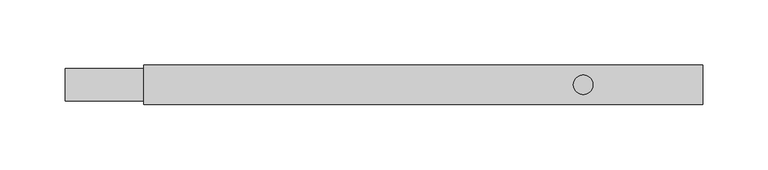
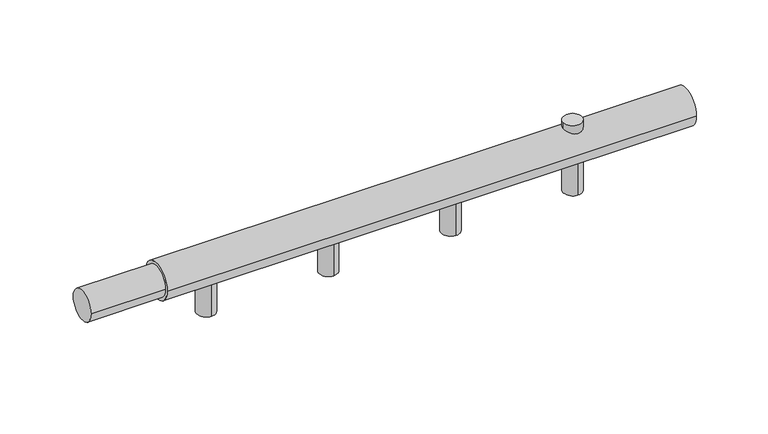
"""IFC4 building model written with IfcOpenShell, lengths in millimetres: proxy geometry."""

from ifc_helpers import new_model, si_unit, point, frame, frame_2d, origin, origin_with_axes, origin_2d, place, context, project, spatial, circle_curve, trimmed, segment, composite_curve, outline, extrude, source, transform, mapped, element, save


def mechanical_equipment_6b834cfa(model_context):
    return source(origin(), model_context, "Body", "SweptSolid", [
        extrude(outline(composite_curve([segment(trimmed(circle_curve(frame_2d((395.9090909, 0.0)), 7.5), [point((388.4090909, 0.0))], [point((403.4090909, 0.0))], False, "CARTESIAN"), True, "CONTINUOUS"), segment(trimmed(circle_curve(frame_2d((395.9090909, 0.0)), 7.5), [point((403.4090909, 0.0))], [point((388.4090909, 0.0))], False, "CARTESIAN"), True, "CONTINUOUS")], self_intersect=False)), origin_with_axes(), (0.0, 0.0, 1.0), 20.0),
        extrude(outline(composite_curve([segment(trimmed(circle_curve(origin_2d(), 12.5), [point((-12.5, 0.0))], [point((12.5, 0.0))], False, "CARTESIAN"), True, "CONTINUOUS"), segment(trimmed(circle_curve(origin_2d(), 12.5), [point((12.5, 0.0))], [point((-12.5, 0.0))], False, "CARTESIAN"), True, "CONTINUOUS")], self_intersect=False)), frame((0.0, 0.0, 0.0), z_axis=(1.0, 0.0, 0.0), x_axis=(0.0, 1.0, 0.0)), (0.0, 0.0, 1.0), 60.0),
        extrude(outline(composite_curve([segment(trimmed(circle_curve(origin_2d(), 15.0), [point((-15.0, 0.0))], [point((15.0, 0.0))], False, "CARTESIAN"), True, "CONTINUOUS"), segment(trimmed(circle_curve(origin_2d(), 15.0), [point((15.0, 0.0))], [point((-15.0, 0.0))], False, "CARTESIAN"), True, "CONTINUOUS")], self_intersect=False)), frame((60.0, 0.0, 0.0), z_axis=(1.0, 0.0, 0.0), x_axis=(0.0, 1.0, 0.0)), (0.0, 0.0, 1.0), 427.2727273),
        extrude(outline(composite_curve([segment(trimmed(circle_curve(frame_2d((395.9090909, 0.0)), 7.5), [point((395.9090909, 7.5))], [point((395.9090909, -7.5))], False, "CARTESIAN"), True, "CONTINUOUS"), segment(trimmed(circle_curve(frame_2d((395.9090909, 0.0)), 7.5), [point((395.9090909, -7.5))], [point((395.9090909, 7.5))], False, "CARTESIAN"), True, "CONTINUOUS")], self_intersect=False)), frame((0.0, 0.0, -40.0), z_axis=(0.0, 0.0, 1.0), x_axis=(1.0, 0.0, 0.0)), (0.0, 0.0, 1.0), 40.0),
        extrude(outline(composite_curve([segment(trimmed(circle_curve(frame_2d((297.2727273, 0.0)), 7.5), [point((297.2727273, 7.5))], [point((297.2727273, -7.5))], False, "CARTESIAN"), True, "CONTINUOUS"), segment(trimmed(circle_curve(frame_2d((297.2727273, 0.0)), 7.5), [point((297.2727273, -7.5))], [point((297.2727273, 7.5))], False, "CARTESIAN"), True, "CONTINUOUS")], self_intersect=False)), frame((0.0, 0.0, -40.0), z_axis=(0.0, 0.0, 1.0), x_axis=(1.0, 0.0, 0.0)), (0.0, 0.0, 1.0), 40.0),
        extrude(outline(composite_curve([segment(trimmed(circle_curve(frame_2d((198.6363636, 0.0)), 7.5), [point((198.6363636, 7.5))], [point((198.6363636, -7.5))], False, "CARTESIAN"), True, "CONTINUOUS"), segment(trimmed(circle_curve(frame_2d((198.6363636, 0.0)), 7.5), [point((198.6363636, -7.5))], [point((198.6363636, 7.5))], False, "CARTESIAN"), True, "CONTINUOUS")], self_intersect=False)), frame((0.0, 0.0, -40.0), z_axis=(0.0, 0.0, 1.0), x_axis=(1.0, 0.0, 0.0)), (0.0, 0.0, 1.0), 40.0),
        extrude(outline(composite_curve([segment(trimmed(circle_curve(frame_2d((100.0, 0.0)), 7.5), [point((100.0, 7.5))], [point((100.0, -7.5))], False, "CARTESIAN"), True, "CONTINUOUS"), segment(trimmed(circle_curve(frame_2d((100.0, 0.0)), 7.5), [point((100.0, -7.5))], [point((100.0, 7.5))], False, "CARTESIAN"), True, "CONTINUOUS")], self_intersect=False)), frame((0.0, 0.0, -40.0), z_axis=(0.0, 0.0, 1.0), x_axis=(1.0, 0.0, 0.0)), (0.0, 0.0, 1.0), 40.0),
    ])


if __name__ == "__main__":
    model = new_model("IFC4")
    model_context = context("Model", 3, world=origin())
    ifc_project = project(units=[si_unit("LENGTHUNIT", "METRE", prefix="MILLI")], contexts=[model_context])
    site = spatial("IfcSite", under=ifc_project)
    building = spatial("IfcBuilding", under=site)
    placement = place(None, origin())
    mechanical_equipment_shape = mechanical_equipment_6b834cfa(model_context)
    element("IfcBuildingElementProxy", 1, Name="Mechanical Equipment", at=placement, inside=building, context=model_context, shape_type="MappedRepresentation", body=[
        mapped(mechanical_equipment_shape, transform((0.0, 0.0, 0.0), x_axis=(1.0, 0.0, 0.0), y_axis=(0.0, 1.0, 0.0), z_axis=(0.0, 0.0, 1.0))),
    ])
    save(model, "model.ifc")
